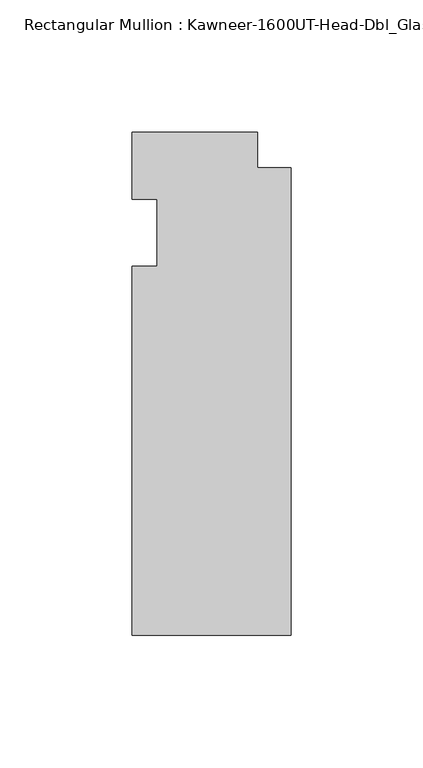
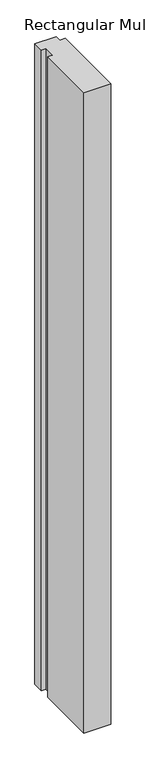
"""IFC4 building model written with IfcOpenShell, lengths in millimetres: member geometry."""

from ifc_helpers import new_model, si_unit, frame, origin, place, context, project, spatial, polyline, outline, extrude, source, transform, mapped, element, save


def member_cde33474(model_context):
    return source(origin(), model_context, "Body", "SweptSolid", [
        extrude(outline(polyline([(-60.325, -12.7), (-50.8, -12.7), (-50.8, 12.7), (-60.325, 12.7), (-60.325, 38.1), (-12.7, 38.1), (-12.7, 24.60625), (0.0, 24.60625), (0.0, -152.4), (-60.325, -152.4), (-60.325, -12.7)])), frame((0.0, 0.0, -1519.2375), z_axis=(0.0, 0.0, 1.0), x_axis=(1.0, 0.0, 0.0)), (0.0, 0.0, 1.0), 1519.2375),
    ])


if __name__ == "__main__":
    model = new_model("IFC4")
    model_context = context("Model", 3, world=origin())
    ifc_project = project(units=[si_unit("LENGTHUNIT", "METRE", prefix="MILLI")], contexts=[model_context])
    site = spatial("IfcSite", under=ifc_project)
    building = spatial("IfcBuilding", under=site)
    placement = place(None, origin())
    member_shape = member_cde33474(model_context)
    element("IfcMember", 1, ObjectType="Rectangular Mullion : Kawneer-1600UT-Head-Dbl_Glass-7_1/2\"", at=placement, inside=building, context=model_context, shape_type="MappedRepresentation", body=[
        mapped(member_shape, transform((0.0, 0.0, 0.0), x_axis=(1.0, 0.0, 0.0), y_axis=(0.0, 1.0, 0.0), z_axis=(0.0, 0.0, 1.0))),
    ])
    save(model, "model.ifc")
